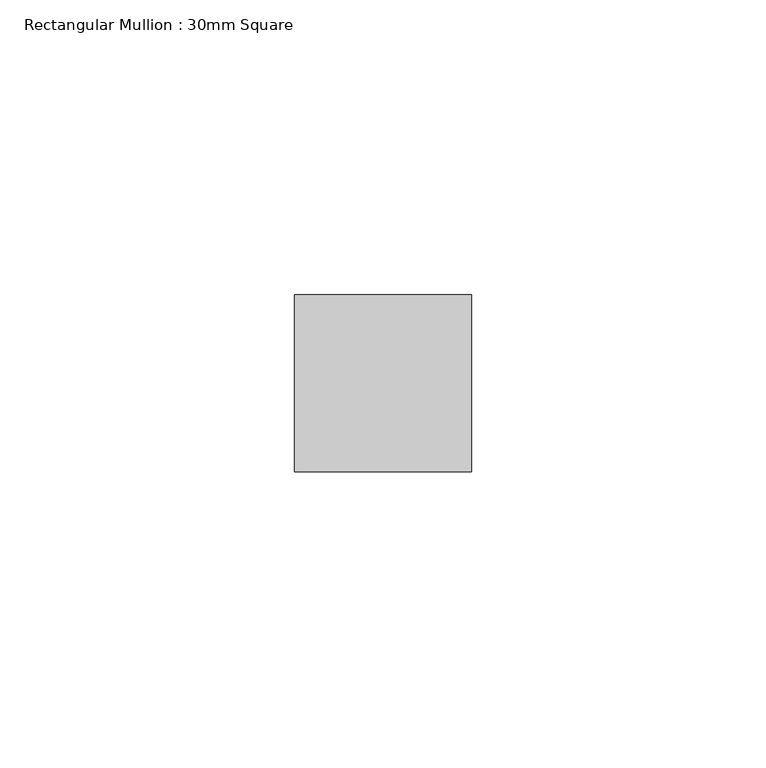
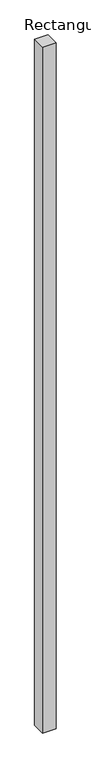
"""IFC4 building model written with IfcOpenShell, lengths in millimetres: member geometry, Rectangular Mullion : 30mm Square."""

from ifc_helpers import new_model, si_unit, frame, origin, place, context, project, spatial, polyline, outline, extrude, source, transform, mapped, element, save


def rectangular_mullion_30mm_square_1730e4c3(model_context):
    return source(origin(), model_context, "Body", "SweptSolid", [
        extrude(outline(polyline([(0.0, 15.0), (0.0, -15.0), (-30.0, -15.0), (-30.0, 15.0), (0.0, 15.0)])), frame((0.0, 0.0, -1610.724757), z_axis=(0.0, 0.0, 1.0), x_axis=(1.0, 0.0, 0.0)), (0.0, 0.0, 1.0), 1610.724757),
    ])


if __name__ == "__main__":
    model = new_model("IFC4")
    model_context = context("Model", 3, world=origin())
    ifc_project = project(units=[si_unit("LENGTHUNIT", "METRE", prefix="MILLI")], contexts=[model_context])
    site = spatial("IfcSite", under=ifc_project)
    building = spatial("IfcBuilding", under=site)
    placement = place(None, origin())
    rectangular_mullion_30mm_square_shape = rectangular_mullion_30mm_square_1730e4c3(model_context)
    element("IfcMember", 1, ObjectType="Rectangular Mullion : 30mm Square", at=placement, inside=building, context=model_context, shape_type="MappedRepresentation", body=[
        mapped(rectangular_mullion_30mm_square_shape, transform((0.0, 0.0, 0.0), x_axis=(1.0, 0.0, 0.0), y_axis=(0.0, 1.0, 0.0), z_axis=(0.0, 0.0, 1.0))),
    ])
    save(model, "model.ifc")
